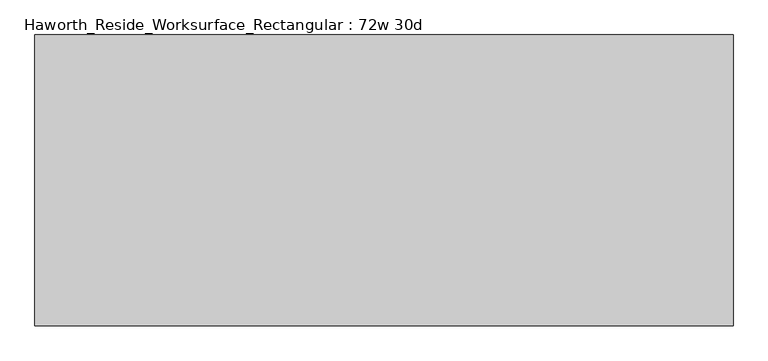
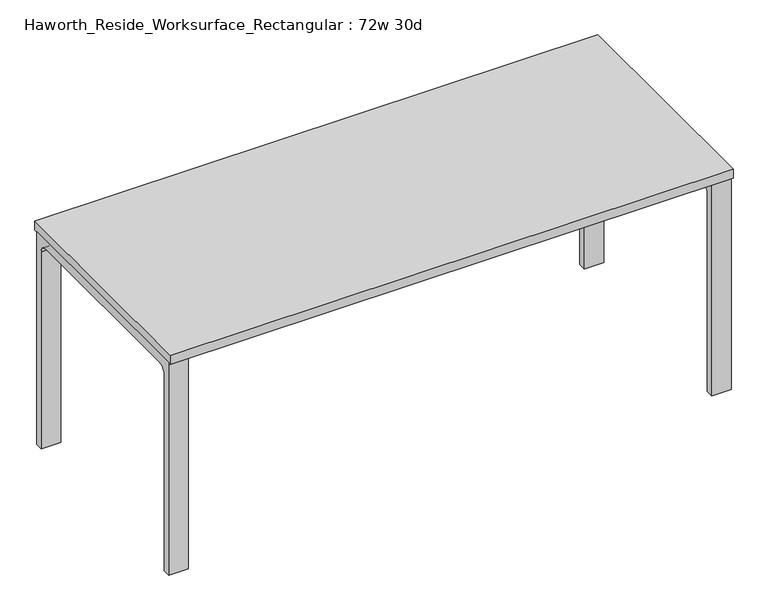
"""IFC4 building model written with IfcOpenShell, lengths in millimetres: furniture geometry, Haworth_Reside_Worksurface_Rectangular : 72w 30d."""

from ifc_helpers import new_model, si_unit, point, frame, frame_2d, origin, place, context, project, spatial, polyline, circle_curve, trimmed, segment, composite_curve, outline, extrude, source, transform, mapped, element, save


def haworth_reside_worksurface_rectangular_72w_30d_686555ef(model_context):
    return source(origin(), model_context, "Body", "SweptSolid", [
        extrude(outline(composite_curve([segment(trimmed(circle_curve(frame_2d((320.675, 676.275)), 25.4), [point((346.075, 676.275))], [point((320.675, 701.675))], True, "CARTESIAN"), True, "CONTINUOUS"), segment(polyline([(320.675, 701.675), (-320.675, 701.675)]), True, "CONTINUOUS"), segment(trimmed(circle_curve(frame_2d((-320.675, 676.275)), 25.4), [point((-320.675, 701.675))], [point((-346.075, 676.275))], True, "CARTESIAN"), True, "CONTINUOUS"), segment(polyline([(-346.075, 676.275), (-346.075, 0.0), (-371.475, 0.0), (-371.475, 731.8375), (371.475, 731.8375), (371.475, 0.0), (346.075, 0.0), (346.075, 676.275)]), True, "CONTINUOUS")], self_intersect=False)), frame((850.9, 0.0, 0.0), z_axis=(1.0, 0.0, 0.0), x_axis=(0.0, 1.0, 0.0)), (0.0, 0.0, 1.0), 63.5),
        extrude(outline(composite_curve([segment(trimmed(circle_curve(frame_2d((320.675, 676.275)), 25.4), [point((346.075, 676.275))], [point((320.675, 701.675))], True, "CARTESIAN"), True, "CONTINUOUS"), segment(polyline([(320.675, 701.675), (-320.675, 701.675)]), True, "CONTINUOUS"), segment(trimmed(circle_curve(frame_2d((-320.675, 676.275)), 25.4), [point((-320.675, 701.675))], [point((-346.075, 676.275))], True, "CARTESIAN"), True, "CONTINUOUS"), segment(polyline([(-346.075, 676.275), (-346.075, 0.0), (-371.475, 0.0), (-371.475, 731.8375), (371.475, 731.8375), (371.475, 0.0), (346.075, 0.0), (346.075, 676.275)]), True, "CONTINUOUS")], self_intersect=False)), frame((-914.4, 0.0, 0.0), z_axis=(1.0, 0.0, 0.0), x_axis=(0.0, 1.0, 0.0)), (0.0, 0.0, 1.0), 63.5),
        extrude(outline(polyline([(914.4, 381.0), (914.4, -381.0), (-914.4, -381.0), (-914.4, 381.0), (914.4, 381.0)])), frame((0.0, 0.0, 731.8375), z_axis=(0.0, 0.0, 1.0), x_axis=(1.0, 0.0, 0.0)), (0.0, 0.0, 1.0), 30.1625),
    ])


if __name__ == "__main__":
    model = new_model("IFC4")
    model_context = context("Model", 3, world=origin())
    ifc_project = project(units=[si_unit("LENGTHUNIT", "METRE", prefix="MILLI")], contexts=[model_context])
    site = spatial("IfcSite", under=ifc_project)
    building = spatial("IfcBuilding", under=site)
    placement = place(None, origin())
    haworth_reside_worksurface_rectangular_72w_30d_shape = haworth_reside_worksurface_rectangular_72w_30d_686555ef(model_context)
    element("IfcFurniture", 1, ObjectType="Haworth_Reside_Worksurface_Rectangular : 72w 30d", at=placement, inside=building, context=model_context, shape_type="MappedRepresentation", body=[
        mapped(haworth_reside_worksurface_rectangular_72w_30d_shape, transform((0.0, 0.0, 0.0), x_axis=(1.0, 0.0, 0.0), y_axis=(0.0, 1.0, 0.0), z_axis=(0.0, 0.0, 1.0))),
    ])
    save(model, "model.ifc")
